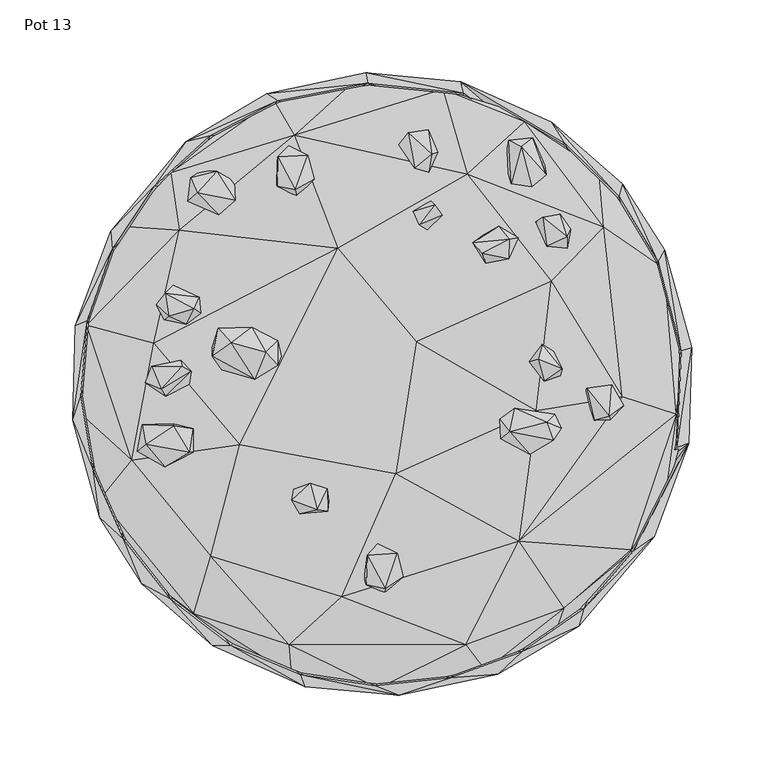
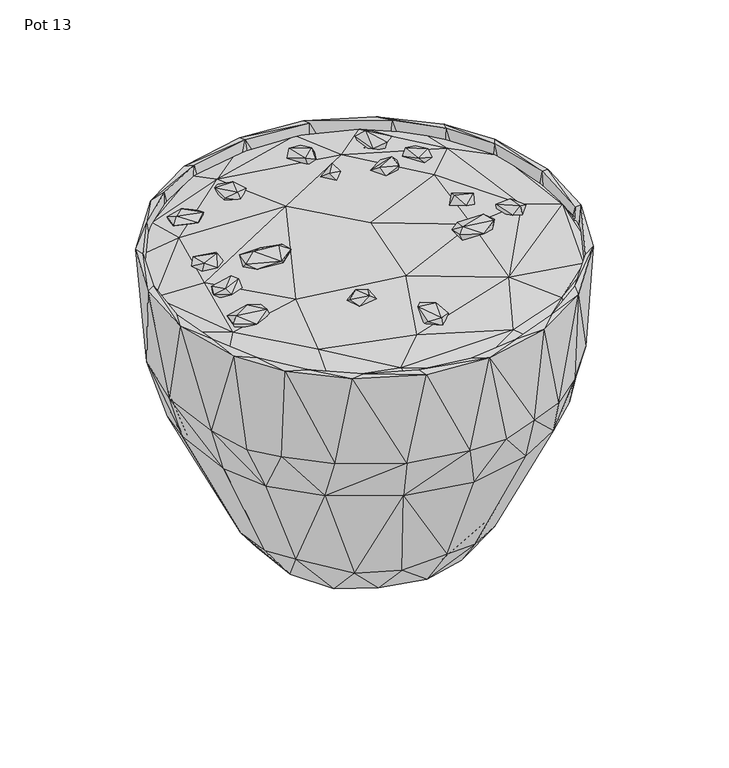
"""IFC4 building model written with IfcOpenShell, lengths in millimetres: furniture geometry, Pot 13."""

from ifc_helpers import new_model, si_unit, origin, place, context, project, spatial, triangles, source, transform, mapped, element, save


def pot_13_fd5a189a(model_context):
    return source(origin(), model_context, "Body", "Tessellation", [
        triangles([(-12.5179882, -133.6347755, 328.2299652), (1.8168688, -143.685016, 327.092571), (-10.9655859, -138.0937693, 333.1098999), (-3.1092167, -114.0763763, 327.4934913), (2.2374392, -135.9323823, 324.1591381), (-10.2002029, -117.9745214, 337.4930626), (1.8729567, -140.9550863, 334.9252324), (14.4160986, -132.8102982, 330.5246653), (10.2486613, -116.4161862, 334.3144775), (-3.0748844, -109.8553222, 335.3452649), (-50.7811891, -72.0778724, 331.497789), (-60.8696948, -72.4171095, 335.1989076), (-49.427747, -68.3660214, 340.4309283), (-37.8656983, -72.0540866, 339.4596577), (-56.9084268, -89.3790738, 337.0755372), (-36.8171341, -80.2902845, 333.2920472), (-168.7465313, -46.230672, 329.9877431), (-162.7832688, -41.4658193, 334.5247481), (-165.1270938, -28.1548494, 326.8709639), (-166.2467202, -46.6015932, 323.4717891), (-149.7871871, -56.9320309, 329.3827291), (-162.282827, -36.5960902, 320.0297753), (-135.8388652, -42.9189192, 322.2418859), (-129.9020092, -46.9666417, 327.9561084), (-132.4148736, -47.0452888, 334.5919679), (-144.1485324, -26.273578, 322.9604467), (-130.2744156, -31.0058881, 329.8255074), (-143.6375988, -28.7316447, 332.7153746), (84.1546017, -38.0932394, 332.4343597), (101.6466027, -48.2807149, 339.95603), (81.6478688, -37.754536, 338.9784007), (115.8760212, -38.8732268, 334.0719415), (96.0540752, -26.7982484, 329.0915042), (91.7388226, -19.3814342, 331.4409611), (80.6994437, -24.367869, 337.3984463), (118.7850823, -20.9940379, 336.3659512), (91.1031328, -16.557247, 337.2443132), (145.994786, -25.1018994, 331.3039782), (140.7123231, -2.9076935, 331.9860223), (139.5679708, -6.4913036, 325.0620626), (156.9096993, -24.5223336, 327.5812403), (156.114399, -22.3867604, 337.0712497), (154.5321918, -3.0625461, 323.8004754), (166.2240108, -14.8859623, 329.8731789), (158.0075611, -0.4475117, 331.0575906), (-163.1608621, 0.6885528, 332.7082529), (-155.5907754, 1.0967851, 326.4441367), (-148.9270924, -8.3266794, 333.4089369), (-158.0975628, 11.1696126, 327.5363666), (-152.1273876, -3.4786462, 338.6989846), (-158.627218, 12.2420784, 334.0205275), (-138.8563499, 16.2937048, 329.8574821), (-132.8547632, -0.1797676, 331.0116268), (-131.3919436, 8.6042583, 335.0359088), (-137.5982781, 12.077004, 338.8987181), (117.6348346, 22.4378405, 332.2556279), (110.0078201, 27.4469552, 336.9244926), (124.0040043, 10.4898212, 342.4262644), (122.4457056, 5.685687, 333.675454), (101.139784, 15.3802033, 333.9404815), (-95.6600949, 28.1856365, 331.8389746), (-83.3145367, 8.1244706, 337.0800427), (-116.9328062, 25.3778092, 333.5474095), (-69.4242735, 19.1620003, 338.3758212), (-112.8348096, 38.4187124, 338.2907973), (-90.0439043, 39.1855851, 337.6834943), (-155.5816554, 54.5153634, 330.4541027), (-150.1266377, 44.3689805, 328.7168541), (-146.9165684, 46.6452815, 335.5306824), (-147.7611026, 59.0941628, 323.4063498), (-149.4938729, 62.3587982, 333.9498196), (-135.0482702, 41.1910132, 329.3613642), (-125.0451199, 48.5675342, 329.5924547), (-129.3821917, 51.9290569, 337.4756945), (-130.1974036, 61.3507928, 326.4976582), (-126.0231761, 59.6915191, 332.7001502), (-143.7999617, 67.927449, 328.4561142), (31.0035945, 106.0085185, 332.0979704), (21.2207432, 118.7601111, 331.8698956), (33.2586167, 126.2479989, 327.7028898), (41.2223339, 116.084475, 332.5535385), (25.5553715, 109.7125438, 339.7686141), (68.7293986, 101.9255555, 331.6732507), (71.2544897, 82.940368, 337.0268847), (62.4389032, 97.1188267, 337.9182547), (87.8204662, 89.0952158, 334.3472154), (80.1608593, 108.6928205, 336.6838823), (93.5263043, 100.7533523, 336.0875525), (119.3696215, 94.3184617, 328.0054513), (129.817603, 106.4737426, 328.8990014), (127.20251, 93.412485, 332.2867307), (113.3112885, 94.7016505, 335.1667511), (105.6137115, 111.7084158, 329.7958217), (113.4967787, 114.4057984, 324.8305724), (127.2010203, 101.2015353, 337.391797), (122.4178094, 116.7655108, 333.0759267), (-112.7141139, 116.3867276, 327.3440091), (-134.06837, 125.8736395, 325.8432286), (-130.9571864, 134.4065398, 318.2036877), (-104.2223539, 125.4426792, 320.8790331), (-101.1360869, 126.4125237, 329.6091325), (-127.3350147, 131.6330899, 330.5686669), (36.0322597, 123.4845411, 339.1038654), (110.5881354, 114.8335975, 335.8857842), (-131.8635355, 142.1242464, 325.653124), (-124.2170909, 147.2889748, 320.2462592), (-114.1021287, 146.3082388, 325.5836514), (-101.7790437, 139.4444136, 324.52227), (-73.2430811, 139.0518231, 323.4055867), (-58.1233508, 136.0589371, 321.9934273), (-59.0507969, 129.2733411, 326.6819492), (-63.4960516, 157.9658303, 319.0620655), (-72.414339, 135.9730957, 329.4003153), (-71.8939311, 156.559975, 328.7044639), (-59.970858, 133.8657752, 333.527825), (-46.8281509, 140.8667832, 328.9142984), (-51.1822093, 157.6168509, 327.932091), (88.6131504, 137.8645137, 328.8377406), (95.5425512, 163.3004429, 331.3217096), (86.9484537, 167.8709852, 325.5833244), (100.4480112, 136.6728986, 323.3975204), (102.8412608, 135.7385988, 332.2110085), (84.3572056, 152.9954942, 322.1073011), (111.7721201, 150.4099961, 324.7539783), (94.225762, 165.8838245, 319.3793063), (112.7689525, 143.8934335, 330.5918487), (-64.4168847, 164.0065953, 325.5531664), (24.3222118, 147.9533782, 326.6073898), (11.2976434, 164.7335313, 328.6002914), (19.5554493, 171.3415401, 322.8847246), (31.8368081, 145.818425, 331.7478101), (22.1962923, 148.4885382, 334.8167361), (38.2770286, 159.6220156, 328.919131), (34.1353415, 158.2784203, 336.1894358), (103.6522942, 169.455645, 325.2547834), (17.9948807, 172.9252733, 332.3947909), (31.5612549, 174.8886164, 330.0926059), (-62.4184012, -79.9561752, 340.9176355), (-44.6991929, -86.5838229, 343.4051654), (-37.7216937, -87.4666542, 338.065375), (117.8237221, -38.5982981, 343.5991942), (87.6114401, -32.9891746, 343.5152604), (113.365355, -26.5023408, 344.5645786), (123.1037413, -30.5450265, 338.2921054), (-87.6445776, 3.3384562, 342.9748864), (-117.2311347, 19.1742475, 340.4504039), (-110.5102331, 9.6688866, 338.224486), (-80.3428885, 21.7329849, 347.7910895), (-103.9245704, 28.3685037, 345.339277), (-71.8281875, 12.9818316, 345.4821825), (111.4828573, 1.7669797, 338.1700562), (107.2151036, 16.8899302, 342.5222614), (-71.8963156, 29.8991493, 341.1076312), (68.776189, 89.8195357, 343.6188151), (87.0925219, 86.3380985, 341.0531651), (87.3115674, 99.6171117, 343.1304002)], [[1, 2, 3], [1, 4, 5], [1, 5, 2], [1, 6, 4], [1, 3, 6], [2, 7, 3], [2, 8, 7], [2, 5, 8], [5, 4, 9], [5, 9, 8], [8, 9, 7], [4, 10, 9], [4, 6, 10], [11, 12, 13], [11, 13, 14], [11, 15, 12], [11, 16, 15], [11, 14, 16], [17, 18, 19], [17, 19, 20], [17, 20, 21], [17, 21, 18], [20, 19, 22], [20, 22, 23], [20, 23, 21], [21, 23, 24], [21, 25, 18], [21, 24, 25], [24, 26, 27], [24, 27, 25], [24, 23, 26], [19, 28, 26], [19, 18, 28], [19, 26, 22], [22, 26, 23], [28, 27, 26], [28, 25, 27], [28, 18, 25], [29, 30, 31], [29, 32, 30], [29, 33, 32], [29, 34, 33], [29, 35, 34], [29, 31, 35], [33, 34, 36], [33, 36, 32], [34, 35, 37], [34, 37, 36], [38, 39, 40], [38, 41, 42], [38, 40, 41], [38, 42, 39], [41, 40, 43], [41, 43, 44], [41, 44, 42], [44, 45, 42], [44, 43, 45], [46, 47, 48], [46, 49, 47], [46, 48, 50], [46, 50, 51], [46, 51, 49], [47, 49, 52], [47, 52, 53], [47, 53, 48], [53, 54, 48], [53, 52, 54], [40, 39, 43], [39, 45, 43], [39, 42, 45], [49, 51, 52], [52, 51, 55], [52, 55, 54], [56, 57, 58], [56, 58, 59], [56, 59, 60], [56, 60, 57], [61, 62, 63], [61, 64, 62], [61, 63, 65], [61, 65, 66], [61, 66, 64], [67, 68, 69], [67, 70, 68], [67, 69, 71], [67, 71, 70], [68, 72, 69], [68, 70, 72], [72, 73, 74], [72, 70, 75], [72, 75, 73], [72, 74, 69], [73, 76, 74], [73, 75, 76], [70, 77, 75], [70, 71, 77], [77, 76, 75], [77, 71, 76], [76, 71, 74], [78, 79, 80], [78, 80, 81], [78, 81, 82], [78, 82, 79], [83, 84, 85], [83, 86, 84], [83, 85, 87], [83, 88, 86], [83, 87, 88], [89, 90, 91], [89, 92, 93], [89, 93, 94], [89, 91, 92], [89, 94, 90], [91, 90, 95], [91, 95, 92], [90, 94, 96], [90, 96, 95], [97, 98, 99], [97, 99, 100], [97, 100, 101], [97, 102, 98], [97, 101, 102], [79, 103, 80], [79, 82, 103], [81, 103, 82], [81, 80, 103], [93, 92, 104], [93, 104, 96], [93, 96, 94], [98, 102, 105], [98, 105, 99], [99, 105, 106], [99, 106, 100], [102, 107, 105], [102, 101, 107], [100, 108, 101], [100, 106, 108], [108, 107, 101], [108, 106, 107], [109, 110, 111], [109, 112, 110], [109, 111, 113], [109, 114, 112], [109, 113, 114], [113, 111, 115], [113, 115, 114], [111, 110, 116], [111, 116, 115], [110, 112, 117], [110, 117, 116], [116, 117, 115], [118, 119, 120], [118, 121, 122], [118, 123, 121], [118, 120, 123], [118, 122, 119], [121, 124, 122], [121, 123, 125], [121, 125, 124], [122, 124, 126], [122, 126, 119], [105, 107, 106], [114, 117, 127], [114, 115, 117], [114, 127, 112], [112, 127, 117], [128, 129, 130], [128, 131, 132], [128, 133, 131], [128, 132, 129], [128, 130, 133], [131, 134, 132], [131, 133, 134], [123, 120, 125], [124, 135, 126], [124, 125, 135], [126, 135, 119], [129, 132, 136], [129, 136, 130], [136, 132, 134], [136, 134, 137], [136, 137, 130], [130, 137, 133], [137, 134, 133], [120, 135, 125], [120, 119, 135], [3, 7, 6], [7, 9, 6], [6, 9, 10], [138, 12, 15], [138, 15, 139], [138, 139, 13], [138, 13, 12], [15, 140, 139], [15, 16, 140], [139, 140, 14], [139, 14, 13], [140, 16, 14], [30, 32, 141], [30, 142, 31], [30, 141, 142], [31, 142, 35], [142, 141, 143], [142, 143, 37], [142, 37, 35], [143, 141, 144], [143, 36, 37], [143, 144, 36], [32, 36, 144], [32, 144, 141], [50, 48, 54], [50, 54, 55], [50, 55, 51], [145, 146, 147], [145, 148, 149], [145, 150, 148], [145, 149, 146], [145, 147, 62], [145, 62, 150], [151, 152, 60], [151, 59, 58], [151, 58, 152], [151, 60, 59], [146, 149, 65], [146, 63, 147], [146, 65, 63], [147, 63, 62], [62, 64, 150], [148, 150, 153], [148, 66, 149], [148, 153, 66], [150, 64, 153], [64, 66, 153], [60, 152, 57], [152, 58, 57], [65, 149, 66], [69, 74, 71], [154, 155, 156], [154, 84, 155], [154, 156, 85], [154, 85, 84], [84, 86, 155], [155, 88, 156], [155, 86, 88], [85, 156, 87], [156, 88, 87], [92, 95, 104], [95, 96, 104]]),
        triangles([(-64.0740414, -179.6963898, 324.2183641), (-62.4356875, -200.0651865, 319.2756426), (-2.6328565, -209.5028735, 319.2654325), (57.5036984, -179.5331185, 324.7581568), (-27.911187, -146.4635437, 328.7698668), (-129.8522938, -158.0478929, 321.243255), (-118.0942088, -118.535788, 327.3629396), (-118.0882499, -173.0477222, 316.2278635), (-43.5911438, -201.0645804, 314.0669852), (29.2950278, -198.9567876, 313.2021034), (-64.7629483, -162.6665245, 309.1545307), (70.9792976, -197.1536273, 319.4517583), (102.7159687, -177.0027861, 313.974985), (30.7913414, -141.4836968, 306.5392107), (124.9128606, -154.3537688, 322.7657275), (93.9253534, -108.3589473, 328.9577914), (117.7911205, -174.6210455, 317.7585477), (132.2350517, -126.3324051, 310.0203936), (171.5596408, -115.8986942, 315.3671966), (-163.8199606, -132.2713231, 316.9582332), (-172.6297063, -52.3892032, 325.6288885), (-194.0612107, -79.4637815, 319.0172645), (-131.3501039, -116.9756906, 309.3707239), (-68.0866235, -96.0935622, 304.8462908), (9.4057917, -61.8422917, 332.4135035), (-98.2496716, -41.7884876, 331.0219823), (9.5778106, -57.0071354, 302.9708057), (107.1887607, -83.101659, 305.7842422), (171.0250986, -113.9877462, 321.4978907), (-190.7444073, -75.2309867, 313.9051855), (-199.9435369, -20.3615728, 313.0710068), (-107.317868, -21.391034, 304.6493915), (202.1981413, -20.9667684, 321.674188), (105.8344829, -18.5749234, 331.1761153), (165.0816206, -8.7340474, 327.3512034), (171.4097227, -37.1408175, 309.1779305), (194.1594423, -81.62674, 317.7585477), (206.2012037, -36.0172397, 315.845038), (-209.510086, -18.9490909, 318.6975529), (83.7336154, 2.7602018, 303.6703996), (-157.2358058, 27.942569, 327.9595239), (-203.4054986, 40.4618698, 320.1620347), (23.3811151, 29.059023, 332.8076291), (-30.7850827, 93.5128604, 331.4006292), (-39.570091, 62.827347, 303.4477751), (157.1821027, 45.2260094, 307.85352), (207.5487413, 18.6724363, 315.6350945), (-192.7548587, 64.6577494, 313.8705219), (-153.6394411, 50.2366411, 307.7031295), (116.4224722, 70.5627805, 329.7789259), (152.432865, 108.0343123, 324.7668772), (194.112661, 79.4534079, 318.9574934), (-139.6844971, 105.9571499, 326.2121741), (58.4297184, 144.5309672, 328.232763), (44.660151, 97.493068, 304.5135349), (190.4746382, 75.1364839, 313.8382928), (-179.5565546, 108.5291041, 318.5815716), (-141.8584014, 146.7208227, 313.6806716), (-116.1894831, 120.4050779, 308.1541194), (-27.4953852, 177.1928907, 309.7914831), (120.4048963, 116.1896557, 308.1541194), (-60.5571276, 171.3660662, 325.5082563), (73.200224, 163.8601471, 309.6745934), (147.7975284, 142.8246034, 314.0190594), (148.9618378, 147.238133, 319.3602304), (-145.7386061, 145.3834951, 321.4221322), (-115.6138188, 176.0511181, 317.7585477), (-74.9238742, 189.8703873, 313.6884473), (98.1685537, 180.5800386, 321.7418075), (-74.6760968, 195.2145015, 320.0125889), (41.7171711, 202.8517533, 320.6311194), (-18.9021824, 208.824263, 318.3376184), (43.6591492, 201.3317698, 314.1314798), (100.5594143, 184.5781594, 316.692697)], [[1, 2, 3], [1, 3, 4], [1, 4, 5], [1, 6, 2], [1, 5, 7], [1, 7, 6], [2, 8, 9], [2, 6, 8], [2, 9, 3], [9, 10, 3], [9, 8, 11], [9, 11, 10], [3, 10, 12], [3, 12, 4], [10, 13, 12], [10, 11, 14], [10, 14, 13], [4, 12, 15], [4, 15, 16], [4, 16, 5], [12, 13, 17], [12, 17, 15], [13, 14, 18], [13, 18, 19], [13, 19, 17], [6, 20, 8], [6, 7, 21], [6, 22, 20], [6, 21, 22], [8, 20, 23], [8, 23, 11], [11, 23, 24], [11, 24, 14], [5, 16, 25], [5, 26, 7], [5, 25, 26], [14, 24, 27], [14, 28, 18], [14, 27, 28], [17, 19, 15], [15, 29, 16], [15, 19, 29], [20, 22, 30], [20, 30, 23], [23, 30, 31], [23, 31, 32], [23, 32, 24], [7, 26, 21], [16, 29, 33], [16, 34, 25], [16, 35, 34], [16, 33, 35], [18, 28, 36], [18, 36, 19], [29, 37, 33], [29, 19, 37], [19, 36, 38], [19, 38, 37], [22, 21, 39], [22, 39, 30], [30, 39, 31], [24, 32, 27], [28, 27, 40], [28, 40, 36], [37, 38, 33], [21, 26, 41], [21, 41, 42], [21, 42, 39], [26, 25, 43], [26, 43, 44], [26, 44, 41], [25, 34, 43], [27, 32, 45], [27, 45, 40], [36, 40, 46], [36, 47, 38], [36, 46, 47], [38, 47, 33], [39, 42, 31], [31, 42, 48], [31, 48, 49], [31, 49, 32], [32, 49, 45], [34, 35, 50], [34, 50, 43], [35, 33, 51], [35, 51, 50], [33, 47, 52], [33, 52, 51], [41, 44, 53], [41, 53, 42], [43, 50, 54], [43, 54, 44], [40, 45, 55], [40, 55, 46], [47, 56, 52], [47, 46, 56], [42, 57, 48], [42, 53, 57], [48, 57, 58], [48, 58, 49], [49, 59, 45], [49, 58, 59], [45, 59, 60], [45, 60, 55], [46, 55, 61], [46, 61, 56], [44, 62, 53], [44, 54, 62], [55, 63, 61], [55, 60, 63], [50, 51, 54], [56, 61, 64], [56, 64, 52], [52, 64, 65], [52, 65, 51], [57, 66, 67], [57, 67, 58], [57, 53, 66], [53, 62, 66], [59, 58, 68], [59, 68, 60], [61, 63, 64], [51, 65, 69], [51, 69, 54], [66, 62, 70], [66, 70, 67], [58, 67, 68], [62, 54, 71], [62, 72, 70], [62, 71, 72], [54, 69, 71], [63, 60, 73], [63, 73, 74], [63, 74, 64], [64, 74, 65], [65, 74, 69], [67, 70, 68], [68, 70, 72], [68, 72, 60], [60, 72, 73], [72, 71, 73], [71, 69, 74], [71, 74, 73]]),
        triangles([(-126.8452372, -164.8561438, 227.2498099), (-165.5162052, -137.4728043, 329.9595108), (-163.6172477, -128.0897833, 225.9255993), (-95.1834888, -169.4111891, 210.1800669), (-134.3235961, -140.4185638, 210.1823742), (-104.2036413, -179.7869184, 331.3775202), (-56.2214275, -200.0530324, 331.3771932), (69.8629004, -181.3266319, 210.1824832), (47.1123451, -202.3913345, 331.3770115), (95.9652089, -184.3164021, 331.3770478), (112.7604228, -158.2568554, 210.1822289), (108.5134709, -176.9483744, 222.1219615), (138.1112374, -155.2509706, 225.925781), (135.2378117, -166.6746737, 329.9599105), (79.6092123, -199.8950297, 329.9614002), (138.7867957, -154.6609993, 331.3770115), (153.4399983, -118.4572317, 210.1810116), (172.4965568, -116.2414876, 227.2485018), (-194.503244, -92.0011431, 329.9616546), (-183.4126782, -97.1886535, 222.1197996), (-165.0241023, -102.6026308, 210.1823015), (-145.6419187, -148.2236379, 331.3775202), (172.8874486, -115.2892746, 331.3771932), (211.0259455, -40.7480306, 329.9887605), (184.2467843, -61.7514542, 210.181375), (195.8202785, -69.5124267, 225.9283244), (187.1082194, -105.1649108, 329.9591475), (-199.2815134, -58.8620321, 225.9292691), (-185.3559099, -58.3396258, 210.1830464), (-177.9268939, -107.3496612, 331.3775202), (-213.1882954, -24.8975764, 329.9593291), (-206.9152044, 6.7907272, 225.7699584), (-194.0409539, -10.4095038, 210.1824287), (-199.0337451, -59.7280539, 331.3775202), (203.188179, -43.5495084, 331.3772295), (193.8155861, -13.9921601, 210.1835369), (205.5103847, -29.1798118, 222.1253407), (207.6593087, 7.4524879, 225.9313584), (-211.4300815, 39.9025698, 329.9592201), (-195.8206236, 69.5123949, 225.9290148), (-190.5340641, 38.1731968, 210.1846633), (-207.6344556, -8.3527565, 331.3774475), (205.9070538, 22.9246908, 331.3775202), (191.2059162, 34.6471675, 210.1811751), (199.2809684, 58.8624772, 225.9289421), (213.1880592, 24.8970995, 329.9593291), (-175.0543766, 84.357469, 210.1821925), (-203.1885424, 43.5486136, 331.3772295), (189.9789017, 84.2014556, 331.3775565), (176.5826264, 81.1097021, 210.1831191), (-187.1083466, 105.1651833, 329.9591475), (-165.5521405, 124.6043401, 225.7287181), (163.0697339, 128.8026304, 331.3776292), (150.8635295, 122.4759817, 210.1822289), (178.3800639, 106.5743724, 225.9227288), (194.503135, 92.0011067, 329.9616546), (-137.3834021, 136.7547704, 210.1811206), (-185.9750218, 92.7095119, 331.3773385), (134.4340454, 157.5088451, 224.593831), (165.5159509, 137.4727952, 329.9595835), (-135.2374575, 166.6752914, 329.9599832), (-117.5618194, 171.3385061, 225.9240914), (-157.0755322, 136.0482274, 331.3770478), (-118.3089577, 170.8358296, 331.3770478), (-92.0374417, 171.1411889, 210.1815567), (125.9167782, 165.3079512, 331.3775202), (108.5891113, 160.5751914, 210.1803939), (-79.6095121, 199.8950479, 329.9614002), (-85.480629, 189.1535161, 222.1206898), (-46.5855604, 188.6531287, 210.1815022), (-72.1077898, 194.890684, 331.3770115), (56.2215456, 200.0529234, 331.3771932), (50.0611658, 187.7607232, 210.1820472), (53.9180616, 208.0510908, 329.9887605), (86.3833446, 187.6142931, 219.7933973), (116.7051766, 180.1363884, 329.9593291), (-46.2331155, 202.5840553, 225.9294326), (1.7946362, 194.3117586, 210.1828102), (-9.9508768, 206.9402392, 331.3771568), (-11.4616153, 214.330831, 329.9591111), (19.7693715, 206.0806078, 225.7715571), (-53.101478, -208.5067679, 329.9590384), (11.4612576, -214.3308492, 329.9589658), (-4.701376, -207.7490743, 331.3771568), (-116.7050585, -180.1364429, 329.9593291), (-58.7099793, -87.8819813, 26.9314139), (-14.7830843, -91.5054702, 16.6334608), (-67.6109803, -39.1312234, 12.5418455), (-93.7862358, -48.7261728, 26.9314139), (-8.3604454, -115.8688632, 38.294265), (-68.8132643, -114.0008904, 67.6399847), (-28.0411254, -133.6928025, 72.7303035), (-46.0882797, -105.856838, 21.5569418), (-34.8705051, -130.6051003, 52.443415), (-74.8735048, -111.399205, 51.3617269), (-75.6612429, -73.7930248, 11.268069), (4.4640898, -109.3648089, 15.6631825), (-21.4887865, -83.4611665, 1.7862461), (48.9981175, -96.7362192, 14.1509088), (-81.7979595, -17.9668959, 0.4675569), (64.0241489, -52.4040143, 0.4449764), (24.5402445, -99.3456257, 23.0872558), (38.1241446, -67.7875593, 12.2525906), (9.0525747, -138.8187432, 60.0955324), (46.224059, -126.9844456, 51.6693934), (62.3887791, -116.6536172, 64.0996939), (67.1100616, -81.2624363, 26.63314), (26.836575, -133.1143403, 71.261516), (86.6778488, -65.7436252, 14.9294076), (76.3531883, -111.4982996, 51.6692708), (-117.3548099, -75.087963, 60.4423272), (-102.1905556, -37.04837, 14.8983673), (86.4534984, -41.2036487, 18.7777987), (-1.1247397, -18.7945071, 16.0403329), (73.2446889, 20.0181004, 12.2915315), (10.0358132, 18.1381995, 6.252397), (107.3987497, -16.7652671, 14.8988658), (82.9300852, 19.260048, 0.527896), (99.4232282, -85.3221994, 63.6245003), (130.7335536, -32.6403382, 51.8571318), (103.3274503, -87.1630572, 52.4457177), (-107.3990495, 16.7655055, 14.8989907), (-129.6358099, -38.1615742, 51.6692708), (-134.7438648, -0.8967817, 51.857), (-105.6596026, 2.4843812, 26.9314798), (-110.1372272, -78.4771412, 70.1150062), (-126.1922701, -48.617245, 70.1097831), (-51.0062571, 64.0489157, 0.4795625), (29.7896265, 79.9095029, 0.5295133), (-68.8957583, 42.776704, 12.6228998), (130.3183991, -36.2243355, 70.712676), (104.2590159, 7.4606241, 25.2980925), (101.852177, 28.2149021, 11.2677579), (135.0535116, 4.7220589, 51.6697068), (-134.3164472, -15.7050495, 70.1057408), (-134.5581385, 23.2359772, 72.8519803), (-79.0176968, 63.5448086, 22.192434), (-111.3187049, 43.5163981, 43.3615702), (87.7682528, 56.7663025, 25.2984036), (129.3038716, 23.1189127, 64.2843165), (-121.7581658, 58.7285737, 52.4462764), (-87.6144196, 65.6699242, 15.6417846), (-28.4767752, 82.9019256, 15.0750927), (48.0946888, 82.7124386, 19.0046619), (82.5165476, 70.4535848, 14.6051939), (128.9588799, 40.5380143, 52.4440963), (-70.7693676, 114.9781199, 52.1447641), (-36.8595711, 100.0607892, 13.2522922), (-101.6836189, 89.0081662, 51.6712011), (-49.1282921, 99.3451352, 32.1422854), (-107.1713563, 76.3264912, 63.4174772), (40.8725143, 97.7968467, 12.2813929), (97.6114838, 92.8918863, 51.858626), (112.1734946, 70.3353007, 64.2933321), (87.1651737, 103.3942431, 70.1097831), (3.8405061, 103.6065484, 24.4453216), (-4.801035, 132.5035945, 65.2376104), (-62.0317469, 115.6619627, 64.0999392), (3.7659408, 135.0835152, 51.6692708), (31.8765041, 125.3922463, 43.1317241), (-29.9462667, 131.7768584, 51.6706424), (41.4314282, 125.4358483, 65.3115749), (68.3780892, 116.561072, 51.6717643), (-64.4803665, -184.8228029, 180.7060121), (6.4586401, -194.4537739, 177.3795799), (69.830417, -182.1323058, 177.3774725), (55.0987716, -171.5389481, 163.9624846), (102.3643005, -148.5384715, 163.3787993), (-127.986492, -148.1084197, 180.7029781), (112.9313154, -159.043944, 177.3775815), (136.0849166, -118.4157462, 163.3705876), (160.7993783, -80.3610378, 161.9672939), (169.891356, -103.1531967, 187.4525479), (148.9352587, -125.9623786, 177.3762189), (-165.8216735, -102.7211283, 177.3773453), (-186.158241, -58.2558509, 177.3783445), (-195.7197214, 1.7261803, 180.9654621), (186.9329212, -53.9482241, 177.3817055), (-179.6767689, 58.0815656, 164.2587602), (194.798048, 10.1323428, 177.380343), (-160.800214, 80.361601, 161.9695467), (164.8952947, 102.0542358, 174.9377777), (186.1580049, 58.2561779, 177.3784535), (179.6011921, -19.3479356, 164.6467997), (174.4664947, 39.269805, 160.5901433), (157.4867353, 86.1766621, 161.9176603), (-155.8530414, 118.4336412, 180.7029781), (-136.0845533, 118.4160823, 163.3700244), (136.3422865, 114.9770026, 159.5579025), (-112.9304161, 159.0440712, 177.3761644), (-54.6131727, 186.7383837, 177.3781084), (128.4024096, 146.172346, 177.3771636), (-40.5004621, 175.7902329, 163.3843404), (-96.0274326, 152.4457276, 163.9556355), (14.0130516, 195.2251113, 180.9657891), (8.0944301, 180.4874753, 164.7664145), (73.7748165, 180.5734983, 177.3836858), (70.0820686, 165.5510686, 161.9898398), (-70.0828452, -165.5502329, 161.9886226), (-8.0951454, -180.4870937, 164.7656878), (-109.7074751, -143.2279309, 163.4284329), (-157.4873893, -86.17708, 161.9195316), (-140.6514075, -117.0852497, 169.8245723), (-174.4667308, -39.2695643, 160.5899434), (-179.6011376, 19.3486509, 164.6463637), (109.7058673, 143.2280217, 163.4265799), (-50.0610477, -187.7605233, 210.1804848), (6.5345167, -193.7353585, 210.1821925), (-5.6007505, -207.7171177, 225.9293236), (-67.3402528, -195.956462, 225.7258477), (35.7545014, -204.4693871, 222.1268849), (71.2569968, -195.1927005, 225.9273979)], [[1, 2, 3], [4, 5, 6], [4, 6, 7], [8, 9, 10], [8, 10, 11], [12, 13, 14], [12, 14, 15], [11, 10, 16], [11, 16, 17], [13, 18, 14], [3, 2, 19], [3, 19, 20], [5, 21, 22], [5, 22, 6], [17, 16, 23], [17, 23, 24], [17, 24, 25], [18, 26, 27], [18, 27, 14], [20, 19, 28], [21, 29, 30], [21, 30, 22], [28, 19, 31], [28, 31, 32], [29, 33, 34], [29, 34, 30], [25, 35, 36], [25, 24, 35], [26, 37, 24], [26, 24, 27], [37, 38, 24], [32, 31, 39], [32, 39, 40], [33, 41, 42], [33, 42, 34], [36, 35, 43], [36, 43, 44], [38, 45, 46], [38, 46, 24], [41, 47, 48], [41, 48, 42], [44, 43, 49], [44, 49, 50], [40, 39, 51], [40, 51, 52], [50, 49, 53], [50, 53, 54], [45, 55, 56], [45, 56, 46], [47, 57, 58], [47, 58, 48], [55, 59, 60], [55, 60, 56], [52, 51, 61], [52, 61, 62], [57, 63, 58], [57, 64, 63], [57, 65, 64], [54, 53, 66], [54, 66, 67], [62, 61, 68], [62, 68, 69], [65, 70, 71], [65, 71, 64], [67, 72, 73], [67, 66, 74], [67, 74, 72], [59, 75, 76], [59, 76, 60], [69, 68, 77], [70, 78, 79], [70, 79, 71], [77, 68, 80], [77, 80, 81], [78, 73, 79], [81, 80, 74], [81, 74, 75], [73, 72, 79], [75, 74, 76], [7, 82, 83], [7, 83, 84], [7, 6, 82], [82, 6, 85], [84, 83, 9], [83, 15, 9], [9, 15, 10], [15, 14, 10], [10, 14, 16], [85, 6, 22], [85, 22, 2], [14, 27, 16], [16, 27, 23], [2, 22, 30], [2, 30, 19], [19, 30, 34], [19, 34, 31], [23, 27, 24], [34, 42, 31], [31, 42, 48], [31, 48, 39], [35, 24, 46], [35, 46, 43], [39, 48, 58], [39, 58, 51], [43, 46, 56], [43, 56, 49], [51, 58, 63], [51, 63, 61], [49, 56, 60], [49, 60, 53], [63, 64, 61], [53, 60, 76], [53, 76, 66], [61, 64, 71], [61, 71, 68], [76, 74, 66], [68, 71, 79], [68, 79, 80], [80, 79, 72], [80, 72, 74], [86, 87, 88], [86, 88, 89], [86, 90, 87], [86, 89, 91], [86, 91, 92], [86, 92, 90], [93, 94, 95], [93, 95, 96], [93, 97, 94], [93, 98, 97], [93, 96, 98], [98, 99, 97], [98, 96, 100], [98, 101, 99], [98, 100, 101], [87, 102, 103], [87, 103, 88], [87, 90, 102], [97, 104, 94], [97, 105, 104], [97, 99, 105], [102, 106, 107], [102, 108, 106], [102, 90, 108], [102, 107, 103], [99, 101, 109], [99, 110, 105], [99, 109, 110], [96, 95, 111], [96, 111, 112], [96, 112, 100], [103, 107, 113], [103, 114, 88], [103, 113, 115], [103, 115, 114], [101, 100, 116], [101, 117, 109], [101, 116, 118], [101, 118, 117], [107, 119, 113], [107, 106, 119], [109, 117, 120], [109, 120, 121], [109, 121, 110], [112, 122, 100], [112, 111, 123], [112, 123, 124], [112, 124, 122], [89, 88, 125], [89, 126, 91], [89, 127, 126], [89, 125, 127], [100, 122, 128], [100, 128, 129], [100, 129, 116], [88, 114, 130], [88, 130, 125], [114, 115, 130], [113, 131, 132], [113, 119, 131], [113, 132, 115], [117, 118, 133], [117, 134, 120], [117, 133, 134], [125, 135, 127], [125, 136, 135], [125, 130, 137], [125, 137, 138], [125, 138, 136], [132, 139, 115], [132, 131, 140], [132, 140, 139], [122, 124, 141], [122, 141, 142], [122, 142, 128], [130, 115, 143], [130, 143, 137], [116, 129, 118], [115, 139, 144], [115, 144, 143], [118, 129, 145], [118, 145, 133], [133, 146, 134], [133, 145, 146], [142, 147, 148], [142, 149, 147], [142, 148, 128], [142, 141, 149], [137, 143, 150], [137, 151, 138], [137, 150, 151], [128, 148, 129], [129, 148, 152], [129, 152, 145], [145, 152, 153], [145, 153, 146], [139, 140, 154], [139, 155, 144], [139, 154, 155], [150, 156, 157], [150, 157, 158], [150, 143, 156], [150, 158, 151], [148, 159, 160], [148, 161, 159], [148, 160, 152], [148, 147, 161], [143, 144, 156], [156, 144, 162], [156, 162, 157], [152, 163, 153], [152, 160, 163], [144, 155, 162], [94, 104, 164], [94, 164, 95], [90, 92, 108], [104, 105, 165], [104, 165, 164], [105, 110, 166], [105, 166, 165], [106, 108, 167], [106, 167, 168], [106, 168, 119], [95, 169, 111], [95, 164, 169], [110, 121, 170], [110, 170, 166], [119, 171, 172], [119, 168, 171], [119, 172, 131], [121, 120, 173], [121, 174, 170], [121, 173, 174], [111, 169, 175], [111, 175, 176], [111, 176, 123], [123, 176, 177], [123, 177, 124], [120, 134, 178], [120, 178, 173], [124, 179, 141], [124, 177, 179], [134, 146, 180], [134, 180, 178], [138, 151, 181], [138, 181, 136], [146, 153, 182], [146, 183, 180], [146, 182, 183], [140, 131, 184], [140, 184, 185], [140, 185, 186], [140, 186, 154], [141, 179, 187], [141, 187, 149], [151, 158, 188], [151, 188, 181], [154, 189, 155], [154, 186, 189], [149, 187, 190], [149, 190, 147], [147, 190, 191], [147, 191, 161], [153, 163, 192], [153, 192, 182], [158, 157, 193], [158, 194, 188], [158, 193, 194], [161, 191, 195], [161, 195, 159], [157, 162, 196], [157, 196, 193], [159, 195, 160], [160, 197, 163], [160, 195, 197], [162, 155, 198], [162, 198, 196], [163, 197, 192], [92, 91, 199], [92, 199, 200], [92, 200, 108], [108, 200, 167], [91, 126, 201], [91, 201, 199], [126, 202, 203], [126, 127, 202], [126, 203, 201], [127, 135, 204], [127, 204, 202], [131, 172, 184], [135, 136, 204], [136, 205, 204], [136, 181, 205], [155, 206, 198], [155, 189, 206], [199, 201, 4], [199, 207, 200], [199, 4, 207], [200, 207, 208], [200, 208, 167], [167, 208, 8], [167, 8, 11], [167, 11, 168], [168, 11, 17], [168, 17, 171], [201, 203, 5], [201, 5, 4], [171, 17, 172], [202, 204, 29], [202, 21, 203], [202, 29, 21], [172, 17, 25], [172, 25, 184], [204, 205, 33], [204, 33, 29], [184, 25, 36], [184, 36, 44], [184, 44, 185], [205, 181, 41], [205, 41, 33], [185, 44, 50], [185, 50, 186], [179, 177, 40], [179, 40, 187], [181, 188, 47], [181, 47, 41], [189, 186, 54], [189, 67, 206], [189, 54, 67], [186, 50, 54], [188, 57, 47], [188, 194, 57], [206, 67, 198], [194, 193, 65], [194, 65, 57], [193, 196, 70], [193, 70, 65], [196, 198, 73], [196, 78, 70], [196, 73, 78], [198, 67, 73], [164, 165, 209], [164, 210, 169], [164, 209, 210], [165, 166, 211], [165, 211, 209], [166, 170, 212], [166, 212, 211], [170, 174, 13], [170, 12, 212], [170, 13, 12], [203, 21, 5], [169, 3, 175], [169, 210, 1], [169, 1, 3], [174, 173, 13], [175, 3, 20], [175, 20, 28], [175, 28, 176], [173, 178, 26], [173, 18, 13], [173, 26, 18], [176, 28, 32], [176, 32, 177], [178, 180, 37], [178, 37, 26], [177, 32, 40], [180, 183, 38], [180, 38, 37], [183, 182, 45], [183, 45, 38], [182, 192, 55], [182, 55, 45], [187, 40, 52], [187, 52, 62], [187, 62, 190], [192, 197, 75], [192, 75, 59], [192, 59, 55], [190, 62, 69], [190, 69, 191], [197, 195, 75], [191, 69, 77], [191, 77, 81], [191, 81, 195], [195, 81, 75], [210, 209, 82], [210, 82, 85], [210, 85, 1], [207, 4, 7], [207, 7, 84], [207, 84, 208], [209, 211, 83], [209, 83, 82], [208, 84, 9], [208, 9, 8], [211, 212, 83], [212, 12, 15], [212, 15, 83], [1, 85, 2]]),
    ])


if __name__ == "__main__":
    model = new_model("IFC4")
    model_context = context("Model", 3, world=origin())
    ifc_project = project(units=[si_unit("LENGTHUNIT", "METRE", prefix="MILLI")], contexts=[model_context])
    site = spatial("IfcSite", under=ifc_project)
    building = spatial("IfcBuilding", under=site)
    placement = place(None, origin())
    pot_13_shape = pot_13_fd5a189a(model_context)
    element("IfcFurniture", 1, ObjectType="Pot 13", at=placement, inside=building, context=model_context, shape_type="MappedRepresentation", body=[
        mapped(pot_13_shape, transform((0.0, 0.0, 0.0), x_axis=(1.0, 0.0, 0.0), y_axis=(0.0, 1.0, 0.0), z_axis=(0.0, 0.0, 1.0))),
    ])
    save(model, "model.ifc")
